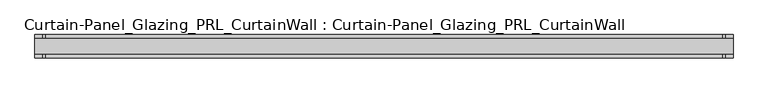
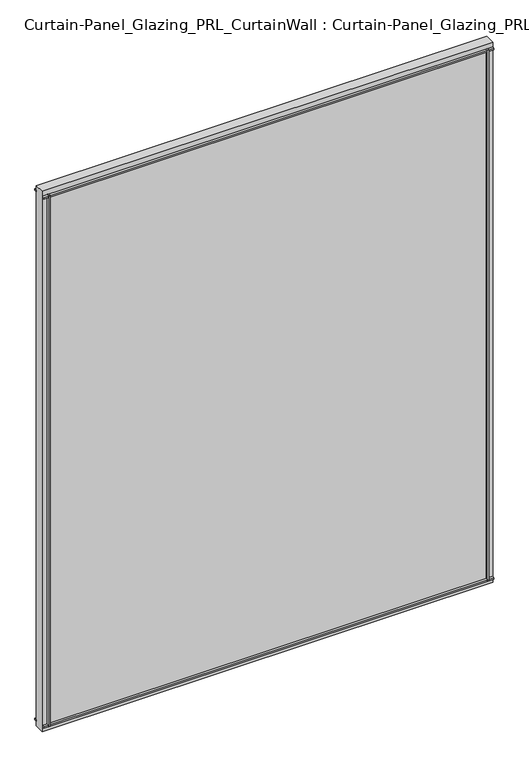
"""IFC4 building model written with IfcOpenShell, lengths in millimetres: plate geometry, Curtain-Panel_Glazing_PRL_CurtainWall : Curtain-Panel_Glazing_PRL_CurtainWall."""

from ifc_helpers import new_model, si_unit, frame, origin, origin_with_axes, place, context, project, spatial, polyline, outline, extrude, source, transform, mapped, element, save


def curtain_panel_glazing_prl_curtainwall_curtain_panel_glazing_865ab2b6(model_context):
    return source(origin(), model_context, "Body", "SweptSolid", [
        extrude(outline(polyline([(558.8, -19.05), (554.83125, -19.05), (554.83125, -12.7), (558.8, -12.7), (558.8, -19.05)])), frame((0.0, 0.0, 12.7), z_axis=(0.0, 0.0, 1.0), x_axis=(1.0, 0.0, 0.0)), (0.0, 0.0, 1.0), 1422.4),
        extrude(outline(polyline([(558.8, 19.05), (558.8, 12.7), (554.83125, 12.7), (554.83125, 19.05), (558.8, 19.05)])), frame((0.0, 0.0, 12.7), z_axis=(0.0, 0.0, 1.0), x_axis=(1.0, 0.0, 0.0)), (0.0, 0.0, 1.0), 1422.4),
        extrude(outline(polyline([(-558.8, -19.05), (-558.8, -12.7), (-554.83125, -12.7), (-554.83125, -19.05), (-558.8, -19.05)])), frame((0.0, 0.0, 12.7), z_axis=(0.0, 0.0, 1.0), x_axis=(1.0, 0.0, 0.0)), (0.0, 0.0, 1.0), 1422.4),
        extrude(outline(polyline([(-558.8, 19.05), (-554.83125, 19.05), (-554.83125, 12.7), (-558.8, 12.7), (-558.8, 19.05)])), frame((0.0, 0.0, 12.7), z_axis=(0.0, 0.0, 1.0), x_axis=(1.0, 0.0, 0.0)), (0.0, 0.0, 1.0), 1422.4),
        extrude(outline(polyline([(571.5, 12.7), (571.5, -12.7), (-571.5, -12.7), (-571.5, 12.7), (571.5, 12.7)])), origin_with_axes(), (0.0, 0.0, 1.0), 1447.8),
        extrude(outline(polyline([(-571.5, -19.05), (-571.5, -12.7), (571.5, -12.7), (571.5, -19.05), (-571.5, -19.05)])), frame((0.0, 0.0, 1431.13125), z_axis=(0.0, 0.0, 1.0), x_axis=(1.0, 0.0, 0.0)), (0.0, 0.0, 1.0), 3.96875),
        extrude(outline(polyline([(-571.5, 19.05), (571.5, 19.05), (571.5, 12.7), (-571.5, 12.7), (-571.5, 19.05)])), frame((0.0, 0.0, 1431.13125), z_axis=(0.0, 0.0, 1.0), x_axis=(1.0, 0.0, 0.0)), (0.0, 0.0, 1.0), 3.96875),
        extrude(outline(polyline([(-571.5, -19.05), (-571.5, -12.7), (571.5, -12.7), (571.5, -19.05), (-571.5, -19.05)])), frame((0.0, 0.0, 12.7), z_axis=(0.0, 0.0, 1.0), x_axis=(1.0, 0.0, 0.0)), (0.0, 0.0, 1.0), 3.96875),
        extrude(outline(polyline([(-571.5, 19.05), (571.5, 19.05), (571.5, 12.7), (-571.5, 12.7), (-571.5, 19.05)])), frame((0.0, 0.0, 12.7), z_axis=(0.0, 0.0, 1.0), x_axis=(1.0, 0.0, 0.0)), (0.0, 0.0, 1.0), 3.96875),
    ])


if __name__ == "__main__":
    model = new_model("IFC4")
    model_context = context("Model", 3, world=origin())
    ifc_project = project(units=[si_unit("LENGTHUNIT", "METRE", prefix="MILLI")], contexts=[model_context])
    site = spatial("IfcSite", under=ifc_project)
    building = spatial("IfcBuilding", under=site)
    placement = place(None, origin())
    curtain_panel_glazing_prl_curtainwall_curtain_panel_glazing_shape = curtain_panel_glazing_prl_curtainwall_curtain_panel_glazing_865ab2b6(model_context)
    element("IfcPlate", 1, ObjectType="Curtain-Panel_Glazing_PRL_CurtainWall : Curtain-Panel_Glazing_PRL_CurtainWall", at=placement, inside=building, context=model_context, shape_type="MappedRepresentation", body=[
        mapped(curtain_panel_glazing_prl_curtainwall_curtain_panel_glazing_shape, transform((0.0, 0.0, 0.0), x_axis=(1.0, 0.0, 0.0), y_axis=(0.0, 1.0, 0.0), z_axis=(0.0, 0.0, 1.0))),
    ])
    save(model, "model.ifc")
